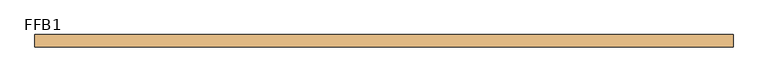
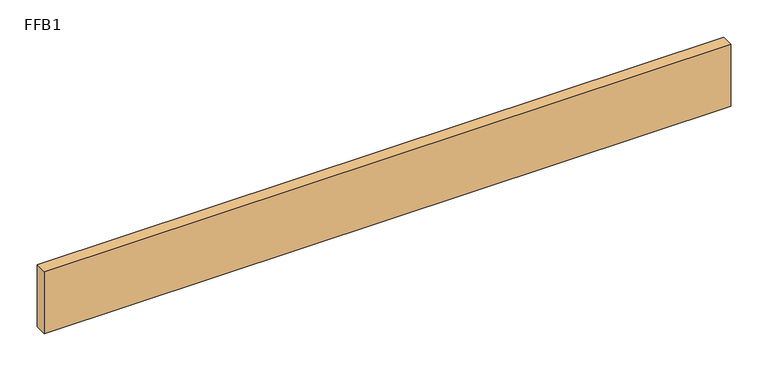
"""IFC4 building model written with IfcOpenShell, lengths in millimetres: door geometry, FFB1."""

from ifc_helpers import new_model, si_unit, origin, origin_with_axes, place, context, project, spatial, polyline, outline, extrude, source, transform, mapped, element, save


def ffb1_99b3e95c(model_context):
    return source(origin(), model_context, "Body", "SweptSolid", [
        extrude(outline(polyline([(531.5249999, 0.0), (531.5249999, -19.05), (-531.5249999, -19.05), (-531.5249999, 0.0), (531.5249999, 0.0)])), origin_with_axes(), (0.0, 0.0, 1.0), 101.6),
    ])


if __name__ == "__main__":
    model = new_model("IFC4")
    model_context = context("Model", 3, world=origin())
    ifc_project = project(units=[si_unit("LENGTHUNIT", "METRE", prefix="MILLI")], contexts=[model_context])
    site = spatial("IfcSite", under=ifc_project)
    building = spatial("IfcBuilding", under=site)
    placement = place(None, origin())
    ffb1_shape = ffb1_99b3e95c(model_context)
    element("IfcDoor", 1, ObjectType="FFB1", at=placement, inside=building, context=model_context, shape_type="MappedRepresentation", body=[
        mapped(ffb1_shape, transform((0.0, 0.0, 0.0), x_axis=(1.0, 0.0, 0.0), y_axis=(0.0, 1.0, 0.0), z_axis=(0.0, 0.0, 1.0))),
    ])
    save(model, "model.ifc")
